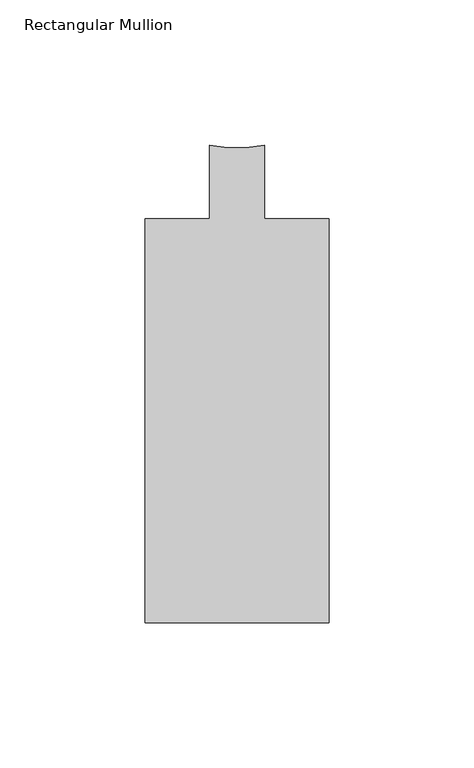
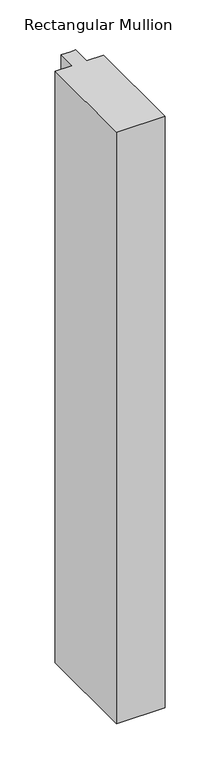
"""IFC4 building model written with IfcOpenShell, lengths in millimetres: member geometry, Rectangular Mullion."""

import ifcopenshell
import ifcopenshell.guid

model = None  # the IFC model being written
_history = None  # IfcOwnerHistory: only IFC2X3 demands one
_inside = {}  # id of a spatial element -> (the spatial element, [elements in it])
_under = {}  # id of a project, library or spatial element -> (it, [spatial elements below it])
_declared = {}  # id of a project -> (the project, [libraries it declares])
_typed = {}  # id of a type object -> (the type object, [elements of that type])
_made_of = {}  # id of a material, layer set ... -> (it, [elements and type objects made of it])


def new_model(schema):
    """Start an empty IFC model of exactly this schema.

    Asked for "IFC4X3", IfcOpenShell would pick the latest addendum, in which some entities
    have other attributes; the version numbers below select the first issue.
    IFC2X3 requires an IfcOwnerHistory on every rooted entity: one is made here for all.
    """
    global model, _history
    if schema == "IFC4X3":
        model = ifcopenshell.file(schema_version=(4, 3, 0, 0))
    else:
        model = ifcopenshell.file(schema=schema)
    _inside.clear()
    _under.clear()
    _declared.clear()
    _typed.clear()
    _made_of.clear()
    _history = None
    if model.schema == "IFC2X3":
        org = make("IfcOrganization", Name="unknown")
        user = make(
            "IfcPersonAndOrganization",
            ThePerson=make("IfcPerson", FamilyName="unknown"),
            TheOrganization=org,
        )
        app = make(
            "IfcApplication",
            ApplicationDeveloper=org,
            Version="unknown",
            ApplicationFullName="unknown",
            ApplicationIdentifier="unknown",
        )
        _history = make(
            "IfcOwnerHistory",
            OwningUser=user,
            OwningApplication=app,
            ChangeAction="ADDED",
            CreationDate=0,
        )
    return model


def make(cls, **values):
    """One entity of the class cls with the attributes given. An attribute that is None is left unset."""
    return model.create_entity(
        cls, **{name: value for name, value in values.items() if value is not None}
    )


def rooted(cls, **values):
    """An entity with a GlobalId (a new one), such as an element, a storey or a relation."""
    return make(cls, GlobalId=ifcopenshell.guid.new(), OwnerHistory=_history, **values)


def si_unit(unit_type, name, prefix=None):
    """IfcSIUnit, for example si_unit("LENGTHUNIT", "METRE", prefix="MILLI")."""
    return make("IfcSIUnit", UnitType=unit_type, Prefix=prefix, Name=name)


def assignment(units):
    """IfcUnitAssignment: the units of a project."""
    return None if units is None else make("IfcUnitAssignment", Units=units)


def point(xyz):
    """IfcCartesianPoint."""
    return None if xyz is None else make("IfcCartesianPoint", Coordinates=xyz)


def direction(xyz):
    """IfcDirection."""
    return None if xyz is None else make("IfcDirection", DirectionRatios=xyz)


def frame(location, z_axis=None, x_axis=None):
    """IfcAxis2Placement3D, a coordinate frame: its origin and axes. An axis left out is left unset."""
    return make(
        "IfcAxis2Placement3D",
        Location=point(location),
        Axis=direction(z_axis),
        RefDirection=direction(x_axis),
    )


def frame_2d(location, x_axis=None):
    """IfcAxis2Placement2D, a coordinate frame in the plane: its origin and x axis."""
    return make(
        "IfcAxis2Placement2D", Location=point(location), RefDirection=direction(x_axis)
    )


def origin():
    """The frame at (0, 0, 0) with its axes left unset."""
    return frame((0.0, 0.0, 0.0))


def place(relative_to, where):
    """IfcLocalPlacement: puts the frame where relative to a parent placement (None: the world)."""
    return make(
        "IfcLocalPlacement", PlacementRelTo=relative_to, RelativePlacement=where
    )


def context(
    kind, dimensions, precision=None, world=None, true_north=None, identifier=None
):
    """IfcGeometricRepresentationContext, for example the 3D "Model" context."""
    return make(
        "IfcGeometricRepresentationContext",
        ContextIdentifier=identifier,
        ContextType=kind,
        CoordinateSpaceDimension=dimensions,
        Precision=precision,
        WorldCoordinateSystem=world,
        TrueNorth=true_north,
    )


def project(units=None, contexts=None):
    """IfcProject with its units and contexts."""
    return rooted(
        "IfcProject",
        Name="project",
        RepresentationContexts=contexts,
        UnitsInContext=assignment(units),
    )


def spatial(cls, under=None, at=None, **own):
    """A site, building, storey or space (cls), placed at a placement, below another one or the project."""
    s = rooted(cls, ObjectPlacement=at, **own)
    if under is not None:
        _under.setdefault(under.id(), (under, []))[1].append(s)
    return s


def polyline(points):
    """IfcPolyline through the points."""
    return make("IfcPolyline", Points=[point(p) for p in points])


def circle_curve(where, radius):
    """IfcCircle in the frame where."""
    return make("IfcCircle", Position=where, Radius=radius)


def trimmed(basis, trim1, trim2, sense, master):
    """IfcTrimmedCurve: the piece of a basis curve between two trims."""
    return make(
        "IfcTrimmedCurve",
        BasisCurve=basis,
        Trim1=trim1,
        Trim2=trim2,
        SenseAgreement=sense,
        MasterRepresentation=master,
    )


def segment(curve, same_sense, transition):
    """IfcCompositeCurveSegment."""
    return make(
        "IfcCompositeCurveSegment",
        Transition=transition,
        SameSense=same_sense,
        ParentCurve=curve,
    )


def composite_curve(segments, self_intersect=None):
    """IfcCompositeCurve: segments joined end to end."""
    return make("IfcCompositeCurve", Segments=segments, SelfIntersect=self_intersect)


def outline(outer, holes=None, kind="AREA"):
    """IfcArbitraryClosedProfileDef: a profile drawn as a closed curve; with holes, ...WithVoids."""
    if holes is None:
        return make("IfcArbitraryClosedProfileDef", ProfileType=kind, OuterCurve=outer)
    return make(
        "IfcArbitraryProfileDefWithVoids",
        ProfileType=kind,
        OuterCurve=outer,
        InnerCurves=holes,
    )


def extrude(swept, where, along, depth):
    """IfcExtrudedAreaSolid: the profile swept, set in the frame where, extruded along a direction by depth."""
    return make(
        "IfcExtrudedAreaSolid",
        SweptArea=swept,
        Position=where,
        ExtrudedDirection=direction(along),
        Depth=depth,
    )


def shape(context_of_items, identifier, shape_type, items):
    """IfcShapeRepresentation: the items that make up one representation, for example the "Body"."""
    return make(
        "IfcShapeRepresentation",
        ContextOfItems=context_of_items,
        RepresentationIdentifier=identifier,
        RepresentationType=shape_type,
        Items=items,
    )


def source(mapping_origin, context_of_items, identifier, shape_type, items):
    """IfcRepresentationMap: a shape defined once, which mapped items show again and again."""
    return make(
        "IfcRepresentationMap",
        MappingOrigin=mapping_origin,
        MappedRepresentation=shape(context_of_items, identifier, shape_type, items),
    )


def transform(
    local_origin,
    x_axis=None,
    y_axis=None,
    z_axis=None,
    scale=None,
    scale2=None,
    scale3=None,
    uniform=True,
):
    """IfcCartesianTransformationOperator3D, or its non-uniform kind. x_axis, y_axis, z_axis: its Axis1, 2, 3."""
    if uniform:
        return make(
            "IfcCartesianTransformationOperator3D",
            Axis1=direction(x_axis),
            Axis2=direction(y_axis),
            LocalOrigin=point(local_origin),
            Scale=scale,
            Axis3=direction(z_axis),
        )
    return make(
        "IfcCartesianTransformationOperator3DnonUniform",
        Axis1=direction(x_axis),
        Axis2=direction(y_axis),
        LocalOrigin=point(local_origin),
        Scale=scale,
        Axis3=direction(z_axis),
        Scale2=scale2,
        Scale3=scale3,
    )


def mapped(mapping_source, mapping_target):
    """IfcMappedItem: shows the shape of a source again, moved by a transform."""
    return make(
        "IfcMappedItem", MappingSource=mapping_source, MappingTarget=mapping_target
    )


def made_of(thing, what):
    """Note that an element or type object is made of a material, layer set ...; save() writes the relation."""
    if what is not None:
        _made_of.setdefault(what.id(), (what, []))[1].append(thing)
    return thing


def element(
    cls,
    number,
    at=None,
    inside=None,
    cuts=None,
    type_object=None,
    material=None,
    context=None,
    identifier="Body",
    shape_type=None,
    held_by="IfcProductDefinitionShape",
    body=None,
    shapes=None,
    **own,
):
    """One element of the class cls, such as IfcWall. Its Tag is "e" and its number.

    at: its placement. inside: the storey or other place that contains it. cuts: it is an
    opening in that element (IfcRelVoidsElement). A single representation is given by context,
    identifier, shape_type and body (its items); several are given by shapes. held_by: the class
    of the entity that holds the representations. save() writes the other relations.
    """
    e = rooted(cls, Tag="e%d" % number, ObjectPlacement=at, **own)
    if body is not None:
        shapes = [shape(context, identifier, shape_type, body)]
    if shapes is not None:
        e.Representation = make(held_by, Representations=shapes)
    if inside is not None:
        _inside.setdefault(inside.id(), (inside, []))[1].append(e)
    if cuts is not None:
        rooted(
            "IfcRelVoidsElement", RelatingBuildingElement=cuts, RelatedOpeningElement=e
        )
    if type_object is not None:
        _typed.setdefault(type_object.id(), (type_object, []))[1].append(e)
    return made_of(e, material)


def aggregate(whole, parts):
    """IfcRelAggregates: a whole, such as a stair, and the parts it consists of."""
    return rooted("IfcRelAggregates", RelatingObject=whole, RelatedObjects=parts)


def save(model, path):
    """Write the relations noted so far, then the file.

    IfcRelAggregates (storeys below a building ...), IfcRelContainedInSpatialStructure (elements
    in a storey), IfcRelDefinesByType, IfcRelAssociatesMaterial and IfcRelDeclares: one each for
    every whole, place, type object, material and project.
    """
    for whole, parts in _under.values():
        aggregate(whole, parts)
    for where, things in _inside.values():
        rooted(
            "IfcRelContainedInSpatialStructure",
            RelatedElements=things,
            RelatingStructure=where,
        )
    for kind, things in _typed.values():
        rooted("IfcRelDefinesByType", RelatedObjects=things, RelatingType=kind)
    for what, things in _made_of.values():
        rooted("IfcRelAssociatesMaterial", RelatedObjects=things, RelatingMaterial=what)
    for by, libraries in _declared.values():
        rooted("IfcRelDeclares", RelatingContext=by, RelatedDefinitions=libraries)
    model.write(path)


def rectangular_mullion_4fdae6db(model_context):
    return source(origin(), model_context, "Body", "SweptSolid", [
        extrude(outline(composite_curve([segment(polyline([(31.7501132, -164.6039063), (-31.75, -164.6039062), (-31.75, -25.4119063), (-9.5251132, -25.4119063), (-9.5251132, -0.0119063)]), True, "CONTINUOUS"), segment(trimmed(circle_curve(frame_2d((0.0, 40.683678)), 41.7954347), [point((-9.5251132, -0.0119063))], [point((9.525, -0.0119327))], True, "CARTESIAN"), True, "CONTINUOUS"), segment(polyline([(9.525, -0.0119327), (9.525, -25.4119063), (31.7501132, -25.4119063), (31.7501132, -164.6039063)]), True, "CONTINUOUS")], self_intersect=False)), frame((0.0, 0.0, -819.3400776), z_axis=(0.0, 0.0, 1.0), x_axis=(1.0, 0.0, 0.0)), (0.0, 0.0, 1.0), 819.3400776),
    ])


if __name__ == "__main__":
    model = new_model("IFC4")
    model_context = context("Model", 3, world=origin())
    ifc_project = project(units=[si_unit("LENGTHUNIT", "METRE", prefix="MILLI")], contexts=[model_context])
    site = spatial("IfcSite", under=ifc_project)
    building = spatial("IfcBuilding", under=site)
    placement = place(None, origin())
    rectangular_mullion_shape = rectangular_mullion_4fdae6db(model_context)
    element("IfcMember", 1, ObjectType="Rectangular Mullion", at=placement, inside=building, context=model_context, shape_type="MappedRepresentation", body=[
        mapped(rectangular_mullion_shape, transform((0.0, 0.0, 0.0), x_axis=(1.0, 0.0, 0.0), y_axis=(0.0, 1.0, 0.0), z_axis=(0.0, 0.0, 1.0))),
    ])
    save(model, "model.ifc")
